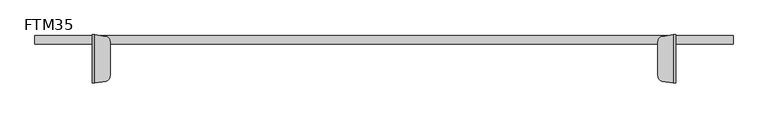
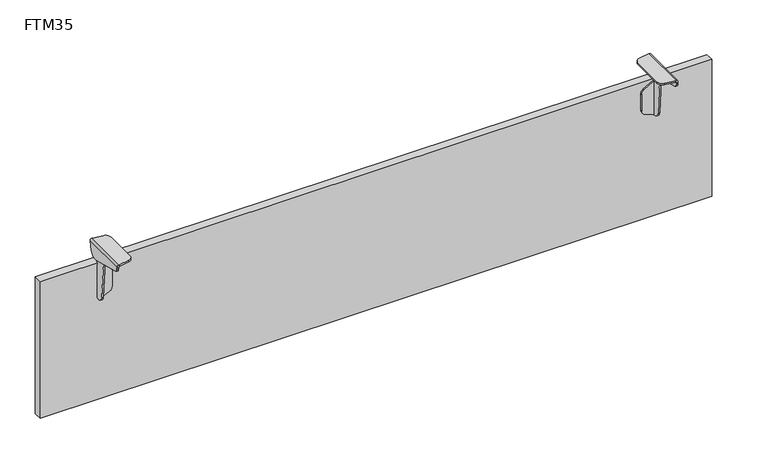
"""IFC4 building model written with IfcOpenShell, lengths in millimetres: furniture geometry, FTM35."""

from ifc_helpers import new_model, si_unit, frame, origin, origin_with_axes, place, context, project, spatial, polyline, circle_curve, ellipse_curve, outline, extrude, source, transform, mapped, element, save
from ifc_brep_helpers import plane_surface, cylinder_surface, revolved_surface, advanced_brep


def ftm35_1a3725aa(model_context):
    return source(origin(), model_context, "Body", "SolidModel", [
        advanced_brep(
        [(539.8, -72.16308, 319.1049121), (543.0, -72.16308, 315.9049121), (543.0, 17.6147548, 315.9049121), (542.9937439, 17.6539668, 316.1049121), (542.9937439, 17.83692, 316.1049121), (539.8, 17.83692, 319.1049121), (539.0, 17.83692, 319.1049121), (518.4975038, 14.723401, 319.1049121), (510.0, 4.83692, 319.1049121), (510.0, -59.16308, 319.1049121), (518.498606, -69.0423034, 319.1049121), (539.0, -72.16308, 319.1049121), (510.0, 4.83692, 316.1049121), (510.0, -59.16308, 316.1049121), (518.498606, 14.7161435, 316.1049121), (537.7952546, 17.6539668, 316.1049121), (538.0, 17.6850596, 316.1049121), (538.0, -72.0112195, 316.1049121), (518.4975038, -69.049561, 316.1049121), (540.0, 17.2618463, 314.1049121), (540.0, -72.16308, 314.1049121), (539.0, -72.16308, 315.8369629), (540.0, 14.0544932, 297.7458971), (540.0, -2.4822519, 287.8096181), (540.0, -67.2023451, 304.1426596), (540.0, -71.9879899, 310.8156242), (540.0, -72.1318917, 313.6921538), (543.0, -72.16308, 313.6905936), (543.0, -71.9879899, 310.8156242), (543.0, -67.2023451, 304.1426596), (543.0, -2.4822519, 287.8096181), (543.0, 14.0544932, 297.7458971), (539.0, 17.83692, 316.1049121)],
        [
            (0, 1, circle_curve(frame((539.8, -72.16308, 315.9049121), z_axis=(0.0, 1.0, 0.0), x_axis=(-1.0000000000000007, 0.0, 0.0)), 3.2)),
            (1, 2),
            (2, 3, ellipse_curve(frame((539.8, 17.6147548, 315.9049121), z_axis=(0.0, -0.9813171133351304, 0.19239730527116772), x_axis=(0.0, 0.1923973052711675, 0.9813171133351304)), 3.2609235, 3.2)),
            (3, 4),
            (4, 5, circle_curve(frame((539.8, 17.83692, 315.9049121), z_axis=(0.0, -1.0, 0.0), x_axis=(-1.0000000000000007, 0.0, 0.0)), 3.2)),
            (5, 0),
            (5, 6),
            (6, 7),
            (7, 8, circle_curve(frame((519.9999972, 4.8294947, 319.1049121), z_axis=(0.0, 0.0, 1.0), x_axis=(0.0, -1.0000000000000007, 0.0)), 10.0)),
            (8, 9),
            (9, 10, circle_curve(frame((519.9999972, -59.1556546, 319.1049121), z_axis=(0.0, 0.0, 1.0), x_axis=(0.0, 1.0000000000000007, 0.0)), 10.0)),
            (10, 11),
            (11, 0),
            (8, 12),
            (12, 13),
            (13, 9),
            (12, 14, circle_curve(frame((519.9999972, 4.8294947, 316.1049121), z_axis=(0.0, 0.0, -1.0), x_axis=(0.0, -1.0000000000000007, 0.0)), 10.0)),
            (14, 15),
            (15, 16),
            (16, 17),
            (17, 18),
            (18, 13, circle_curve(frame((519.9999972, -59.1556546, 316.1049121), z_axis=(0.0, 0.0, -1.0), x_axis=(0.0, 1.0000000000000007, 0.0)), 10.0)),
            (16, 19, ellipse_curve(frame((538.0, 17.2618463, 314.1049121), z_axis=(0.0, 0.9813171133351304, -0.19239730527116772), x_axis=(0.0, -0.1923973052711675, -0.9813171133351304)), 2.0380772, 2.0)),
            (19, 20),
            (20, 21, circle_curve(frame((538.0, -72.16308, 314.1049121), z_axis=(0.0, -1.0, 0.0), x_axis=(-1.0000000000000007, 0.0, 0.0)), 2.0)),
            (21, 17, ellipse_curve(frame((538.0, -72.0112195, 314.1049121), z_axis=(-0.15013912753490172, -0.9886648787041333, 0.0), x_axis=(0.9886648787041334, -0.15013912753490108, 0.0)), 2.0229302, 2.0)),
            (19, 22),
            (22, 23, circle_curve(frame((540.0, -0.104124, 302.580771), z_axis=(-1.0, 0.0, 0.0), x_axis=(0.0, 1.0000000000000007, 0.0)), 14.9613652)),
            (23, 24, circle_curve(frame((540.0, 58.171635, 664.5462216), z_axis=(-1.0, 0.0, 0.0), x_axis=(0.0, 1.0000000000000007, 0.0)), 381.5879485)),
            (24, 25, circle_curve(frame((540.0, -64.2507209, 311.3120144), z_axis=(-1.0, 0.0, 0.0), x_axis=(0.0, 1.0000000000000007, 0.0)), 7.7531757)),
            (25, 26),
            (26, 20),
            (1, 27),
            (27, 28),
            (28, 29, circle_curve(frame((543.0, -64.2507209, 311.3120144), z_axis=(1.0, 0.0, 0.0), x_axis=(0.0, 1.0000000000000007, 0.0)), 7.7531757)),
            (29, 30, circle_curve(frame((543.0, 58.171635, 664.5462216), z_axis=(1.0, 0.0, 0.0), x_axis=(0.0, 1.0000000000000007, 0.0)), 381.5879485)),
            (30, 31, circle_curve(frame((543.0, -0.104124, 302.580771), z_axis=(1.0, 0.0, 0.0), x_axis=(0.0, 1.0000000000000007, 0.0)), 14.9613652)),
            (31, 2),
            (18, 10),
            (26, 27),
            (11, 21),
            (6, 32),
            (32, 16),
            (14, 7),
            (4, 32),
            (25, 28),
            (24, 29),
            (23, 30),
            (22, 31),
            (16, 3),
        ],
        [
            cylinder_surface(frame((539.8, -77.16308, 315.9049121), z_axis=(0.0, 1.0000000000000007, 0.0), x_axis=(-1.0000000000000007, 0.0, 0.0)), 3.2),
            plane_surface(frame((539.8, 22.83692, 319.1049121), z_axis=(0.0, 0.0, 1.0), x_axis=(0.0, -1.0, 0.0))),
            plane_surface(frame((510.0, 22.83692, 319.1049121), z_axis=(-1.0, 0.0, 0.0), x_axis=(0.0, -1.0, 0.0))),
            plane_surface(frame((510.0, 22.83692, 316.1049121), z_axis=(0.0, 0.0, -1.0), x_axis=(0.0, -1.0, 0.0))),
            revolved_surface(polyline([(536.0, -72.31494047529199, 314.1049121), (536.0, 17.685059600000116, 314.1049121)]), (538.0, -77.16308, 314.1049121), (0.0, -1.0000000000000007, 0.0)),
            plane_surface(frame((540.0, 22.83692, 314.1049121), z_axis=(-1.0, 0.0, 0.0), x_axis=(0.0, -1.0, 0.0))),
            plane_surface(frame((543.0, 22.83692, 286.8077472), z_axis=(1.0, 0.0, 0.0), x_axis=(0.0, -1.0, 0.0))),
            cylinder_surface(frame((519.9999972, -59.1556546, 268.1049121), z_axis=(0.0, 0.0, -1.0), x_axis=(0.0, 1.0000000000000007, 0.0)), 10.0),
            plane_surface(frame((539.0, -72.16308, 348.1049121), z_axis=(0.0, -1.0, 0.0), x_axis=(0.0, 0.0, -1.0))),
            plane_surface(frame((518.4975038, -69.049561, 348.1049121), z_axis=(-0.15013912753490172, -0.9886648787041333, 0.0), x_axis=(0.0, 0.0, -1.0))),
            plane_surface(frame((539.0, 17.83692, 348.1049121), z_axis=(-0.15013912753491127, 0.9886648787041318, 0.0), x_axis=(0.0, 0.0, -1.0))),
            plane_surface(frame((546.6947292, 17.83692, 348.1049121), z_axis=(0.0, 1.0, 0.0), x_axis=(0.0, 0.0, -1.0))),
            cylinder_surface(frame((519.9999972, 4.8294947, 308.1049121), z_axis=(0.0, 0.0, -1.0), x_axis=(0.0, -1.0000000000000007, 0.0)), 10.0),
            plane_surface(frame((593.0, -72.1318136, 313.6905936), z_axis=(0.0, -0.9987510344134602, -0.04996369940309944), x_axis=(-1.0, 0.0, 0.0))),
            cylinder_surface(frame((493.0, -64.2507209, 311.3120144), z_axis=(-1.0000000000000007, 0.0, 0.0), x_axis=(0.0, 1.0000000000000007, 0.0)), 7.7531757),
            cylinder_surface(frame((493.0, 58.171635, 664.5462216), z_axis=(-1.0000000000000007, 0.0, 0.0), x_axis=(0.0, 1.0000000000000007, 0.0)), 381.5879485),
            cylinder_surface(frame((493.0, -0.104124, 302.580771), z_axis=(-1.0000000000000007, 0.0, 0.0), x_axis=(0.0, 1.0000000000000007, 0.0)), 14.9613652),
            plane_surface(frame((593.0, 14.0544932, 297.7458971), z_axis=(0.0, 0.9813171133351304, -0.19239730527116772), x_axis=(-1.0, 0.0, 0.0))),
            plane_surface(frame((593.0, 17.6539668, 316.1049121), z_axis=(0.0, 0.0, -1.0), x_axis=(-1.0, 0.0, 0.0))),
        ],
        [
            (0, [[1, 2, 3, 4, 5, 6]]),
            (1, [[7, 8, 9, 10, 11, 12, 13, -6]]),
            (2, [[14, 15, 16, -10]]),
            (3, [[17, 18, 19, 20, 21, 22, -15]]),
            (4, [[23, 24, 25, 26, -20]]),
            (5, [[27, 28, 29, 30, 31, 32, -24]]),
            (6, [[33, 34, 35, 36, 37, 38, -2]]),
            (7, [[-11, -16, -22, 39]]),
            (8, [[-25, -32, 40, -33, -1, -13, 41]]),
            (9, [[-12, -39, -21, -26, -41]]),
            (10, [[-8, 42, 43, -19, -18, 44]]),
            (11, [[-5, 45, -42, -7]]),
            (12, [[-17, -14, -9, -44]]),
            (13, [[-34, -40, -31, 46]]),
            (14, [[-30, 47, -35, -46]]),
            (15, [[-29, 48, -36, -47]]),
            (16, [[-28, 49, -37, -48]]),
            (17, [[-27, -23, 50, -3, -38, -49]]),
            (18, [[-43, -45, -4, -50]]),
        ],
    ),
        advanced_brep(
        [(-539.8, -72.16308, 319.1049121), (-539.8, 17.83692, 319.1049121), (-542.9937439, 17.83692, 316.1049121), (-542.9937439, 17.6539668, 316.1049121), (-543.0, 17.6147548, 315.9049121), (-543.0, -72.16308, 315.9049121), (-539.0, -72.16308, 319.1049121), (-518.4975038, -69.049561, 319.1049121), (-510.0, -59.16308, 319.1049121), (-510.0, 4.83692, 319.1049121), (-518.498606, 14.7161435, 319.1049121), (-539.0, 17.83692, 319.1049121), (-510.0, -59.16308, 316.1049121), (-510.0, 4.83692, 316.1049121), (-518.498606, -69.0423034, 316.1049121), (-538.0, -72.0112195, 316.1049121), (-538.0, 17.6850596, 316.1049121), (-537.7952546, 17.6539668, 316.1049121), (-518.4975038, 14.723401, 316.1049121), (-539.0, -72.16308, 315.8369629), (-540.0, -72.16308, 314.1049121), (-540.0, 17.2618463, 314.1049121), (-540.0, -72.16308, 313.6905936), (-540.0, -71.9879899, 310.8156242), (-540.0, -67.2023451, 304.1426596), (-540.0, -2.4822519, 287.8096181), (-540.0, 14.0544932, 297.7458971), (-543.0, 14.0544932, 297.7458971), (-543.0, -2.4822519, 287.8096181), (-543.0, -67.2023451, 304.1426596), (-543.0, -71.9879899, 310.8156242), (-543.0, -72.1318917, 313.6921538), (-539.0, 17.83692, 316.1049121)],
        [
            (0, 1),
            (1, 2, circle_curve(frame((-539.8, 17.83692, 315.9049121), z_axis=(0.0, -1.0, 0.0), x_axis=(1.0000000000000007, 0.0, 0.0)), 3.2)),
            (2, 3),
            (3, 4, ellipse_curve(frame((-539.8, 17.6147548, 315.9049121), z_axis=(0.0, -0.9813171133351304, 0.19239730527116772), x_axis=(0.0, 0.1923973052711675, 0.9813171133351304)), 3.2609235, 3.2)),
            (4, 5),
            (5, 0, circle_curve(frame((-539.8, -72.16308, 315.9049121), z_axis=(0.0, 1.0, 0.0), x_axis=(1.0000000000000007, 0.0, 0.0)), 3.2)),
            (0, 6),
            (6, 7),
            (7, 8, circle_curve(frame((-519.9999972, -59.1556546, 319.1049121), z_axis=(0.0, 0.0, 1.0), x_axis=(0.0, 1.0000000000000007, 0.0)), 10.0)),
            (8, 9),
            (9, 10, circle_curve(frame((-519.9999972, 4.8294947, 319.1049121), z_axis=(0.0, 0.0, 1.0), x_axis=(0.0, -1.0000000000000007, 0.0)), 10.0)),
            (10, 11),
            (11, 1),
            (8, 12),
            (12, 13),
            (13, 9),
            (12, 14, circle_curve(frame((-519.9999972, -59.1556546, 316.1049121), z_axis=(0.0, 0.0, -1.0), x_axis=(0.0, 1.0000000000000007, 0.0)), 10.0)),
            (14, 15),
            (15, 16),
            (16, 17),
            (17, 18),
            (18, 13, circle_curve(frame((-519.9999972, 4.8294947, 316.1049121), z_axis=(0.0, 0.0, -1.0), x_axis=(0.0, -1.0000000000000007, 0.0)), 10.0)),
            (15, 19, ellipse_curve(frame((-538.0, -72.0112195, 314.1049121), z_axis=(0.15013912753490172, -0.9886648787041333, 0.0), x_axis=(-0.9886648787041334, -0.15013912753490108, 0.0)), 2.0229302, 2.0)),
            (19, 20, circle_curve(frame((-538.0, -72.16308, 314.1049121), z_axis=(0.0, -1.0, 0.0), x_axis=(1.0000000000000007, 0.0, 0.0)), 2.0)),
            (20, 21),
            (21, 16, ellipse_curve(frame((-538.0, 17.2618463, 314.1049121), z_axis=(0.0, 0.9813171133351304, -0.19239730527116772), x_axis=(0.0, -0.1923973052711675, -0.9813171133351304)), 2.0380772, 2.0)),
            (20, 22),
            (22, 23),
            (23, 24, circle_curve(frame((-540.0, -64.2507209, 311.3120144), z_axis=(1.0, 0.0, 0.0), x_axis=(0.0, 1.0000000000000007, 0.0)), 7.7531757)),
            (24, 25, circle_curve(frame((-540.0, 58.171635, 664.5462216), z_axis=(1.0, 0.0, 0.0), x_axis=(0.0, 1.0000000000000007, 0.0)), 381.5879485)),
            (25, 26, circle_curve(frame((-540.0, -0.104124, 302.580771), z_axis=(1.0, 0.0, 0.0), x_axis=(0.0, 1.0000000000000007, 0.0)), 14.9613652)),
            (26, 21),
            (4, 27),
            (27, 28, circle_curve(frame((-543.0, -0.104124, 302.580771), z_axis=(-1.0, 0.0, 0.0), x_axis=(0.0, 1.0000000000000007, 0.0)), 14.9613652)),
            (28, 29, circle_curve(frame((-543.0, 58.171635, 664.5462216), z_axis=(-1.0, 0.0, 0.0), x_axis=(0.0, 1.0000000000000007, 0.0)), 381.5879485)),
            (29, 30, circle_curve(frame((-543.0, -64.2507209, 311.3120144), z_axis=(-1.0, 0.0, 0.0), x_axis=(0.0, 1.0000000000000007, 0.0)), 7.7531757)),
            (30, 31),
            (31, 5),
            (7, 14),
            (19, 6),
            (31, 22),
            (10, 18),
            (16, 32),
            (32, 11),
            (32, 2),
            (30, 23),
            (29, 24),
            (28, 25),
            (27, 26),
            (3, 16),
        ],
        [
            cylinder_surface(frame((-539.8, -77.16308, 315.9049121), z_axis=(0.0, 1.0000000000000007, 0.0), x_axis=(1.0000000000000007, 0.0, 0.0)), 3.2),
            plane_surface(frame((-539.8, 22.83692, 319.1049121), z_axis=(0.0, 0.0, 1.0), x_axis=(0.0, -1.0, 0.0))),
            plane_surface(frame((-510.0, 22.83692, 319.1049121), z_axis=(1.0, 0.0, 0.0), x_axis=(0.0, -1.0, 0.0))),
            plane_surface(frame((-510.0, 22.83692, 316.1049121), z_axis=(0.0, 0.0, -1.0), x_axis=(0.0, -1.0, 0.0))),
            revolved_surface(polyline([(-536.0, -72.31494047529199, 314.1049121), (-536.0, 17.685059600000116, 314.1049121)]), (-538.0, -77.16308, 314.1049121), (0.0, -1.0000000000000007, 0.0)),
            plane_surface(frame((-540.0, 22.83692, 314.1049121), z_axis=(1.0, 0.0, 0.0), x_axis=(0.0, -1.0, 0.0))),
            plane_surface(frame((-543.0, 22.83692, 286.8077472), z_axis=(-1.0, 0.0, 0.0), x_axis=(0.0, -1.0, 0.0))),
            cylinder_surface(frame((-519.9999972, -59.1556546, 268.1049121), z_axis=(0.0, 0.0, -1.0), x_axis=(0.0, 1.0000000000000007, 0.0)), 10.0),
            plane_surface(frame((-539.0, -72.16308, 348.1049121), z_axis=(0.0, -1.0, 0.0), x_axis=(0.0, 0.0, -1.0))),
            plane_surface(frame((-518.4975038, -69.049561, 348.1049121), z_axis=(0.15013912753490172, -0.9886648787041333, 0.0), x_axis=(0.0, 0.0, -1.0))),
            plane_surface(frame((-539.0, 17.83692, 348.1049121), z_axis=(0.15013912753491127, 0.9886648787041318, 0.0), x_axis=(0.0, 0.0, -1.0))),
            plane_surface(frame((-546.6947292, 17.83692, 348.1049121), z_axis=(0.0, 1.0, 0.0), x_axis=(0.0, 0.0, -1.0))),
            cylinder_surface(frame((-519.9999972, 4.8294947, 308.1049121), z_axis=(0.0, 0.0, -1.0), x_axis=(0.0, -1.0000000000000007, 0.0)), 10.0),
            plane_surface(frame((-593.0, -72.1318136, 313.6905936), z_axis=(0.0, -0.9987510344134602, -0.04996369940309944), x_axis=(1.0, 0.0, 0.0))),
            cylinder_surface(frame((-493.0, -64.2507209, 311.3120144), z_axis=(1.0000000000000007, 0.0, 0.0), x_axis=(0.0, 1.0000000000000007, 0.0)), 7.7531757),
            cylinder_surface(frame((-493.0, 58.171635, 664.5462216), z_axis=(1.0000000000000007, 0.0, 0.0), x_axis=(0.0, 1.0000000000000007, 0.0)), 381.5879485),
            cylinder_surface(frame((-493.0, -0.104124, 302.580771), z_axis=(1.0000000000000007, 0.0, 0.0), x_axis=(0.0, 1.0000000000000007, 0.0)), 14.9613652),
            plane_surface(frame((-593.0, 14.0544932, 297.7458971), z_axis=(0.0, 0.9813171133351304, -0.19239730527116772), x_axis=(1.0, 0.0, 0.0))),
            plane_surface(frame((-593.0, 17.6539668, 316.1049121), z_axis=(0.0, 0.0, -1.0), x_axis=(1.0, 0.0, 0.0))),
        ],
        [
            (0, [[1, 2, 3, 4, 5, 6]]),
            (1, [[-1, 7, 8, 9, 10, 11, 12, 13]]),
            (2, [[-10, 14, 15, 16]]),
            (3, [[-15, 17, 18, 19, 20, 21, 22]]),
            (4, [[-19, 23, 24, 25, 26]]),
            (5, [[-25, 27, 28, 29, 30, 31, 32]]),
            (6, [[-5, 33, 34, 35, 36, 37, 38]]),
            (7, [[39, -17, -14, -9]]),
            (8, [[40, -7, -6, -38, 41, -27, -24]]),
            (9, [[-40, -23, -18, -39, -8]]),
            (10, [[42, -21, -20, 43, 44, -12]]),
            (11, [[-13, -44, 45, -2]]),
            (12, [[-42, -11, -16, -22]]),
            (13, [[46, -28, -41, -37]]),
            (14, [[-46, -36, 47, -29]]),
            (15, [[-47, -35, 48, -30]]),
            (16, [[-48, -34, 49, -31]]),
            (17, [[-49, -33, -4, 50, -26, -32]]),
            (18, [[-50, -3, -45, -43]]),
        ],
    ),
        advanced_brep(
        [(-540.0, 0.0, 207.9691596), (-540.0, -5.1359201, 207.9358061), (-540.0, -16.1031866, 218.3487266), (-540.0, -24.0162134, 312.947232), (-540.0, -21.9387967, 314.9405936), (-540.0, 2.068775, 314.0105225), (-540.0, 8.2738506, 288.0991458), (-540.0, -1.3959769, 280.7935217), (-540.0, -3.0, 277.2580415), (-540.0, -3.0, 276.3853785), (-540.0, 0.0, 276.3853785), (-537.0, -5.1359201, 207.9358061), (-537.0, -3.0, 207.9358061), (-537.0, -3.0, 276.3853785), (-537.0, -3.0, 277.2580415), (-537.0, -1.3959769, 280.7935217), (-537.0, 8.2738506, 288.0991458), (-537.0, 2.068775, 314.0105225), (-537.0, -21.9387967, 314.9405936), (-537.0, -24.0162134, 312.947232), (-537.0, -16.1031866, 218.3487266), (-535.767477, 0.0, 207.9358061), (-535.767477, -3.0, 207.9358061), (-536.5107174, -3.0, 276.3853785), (-518.7298544, -3.0, 215.3352402), (-512.6982669, -3.0, 224.5141128), (-512.6982669, -3.0, 257.1042486), (-517.78218, -3.0, 265.8124109), (-536.5107174, 0.0, 276.3853785), (-517.78218, 0.0, 265.8124109), (-512.6982669, 0.0, 257.1042486), (-512.6982669, 0.0, 224.5141128), (-518.7298544, 0.0, 215.3352402)],
        [
            (0, 1),
            (1, 2, circle_curve(frame((-540.0, -3.653562, 220.4791018), z_axis=(-1.0, 0.0, 0.0), x_axis=(0.0, 0.0, 1.0)), 12.630584)),
            (2, 3, circle_curve(frame((-540.0, 528.4219489, 311.5276683), z_axis=(-1.0, 0.0, 0.0), x_axis=(0.0, 0.0, 1.0)), 552.4399863)),
            (3, 4, circle_curve(frame((-540.0, -22.0162201, 312.9420928), z_axis=(-1.0, 0.0, 0.0), x_axis=(0.0, 0.0, 1.0)), 2.0)),
            (4, 5),
            (5, 6, circle_curve(frame((-540.0, 0.9856599, 300.0524832), z_axis=(-1.0, 0.0, 0.0), x_axis=(0.0, 0.0, 1.0)), 14.0)),
            (6, 7, circle_curve(frame((-540.0, 34.5004923, 243.3328186), z_axis=(1.0, 0.0, 0.0), x_axis=(0.0, 0.0, 1.0)), 51.8831455)),
            (7, 8, circle_curve(frame((-540.0, 1.9981495, 277.1220226), z_axis=(1.0, 0.0, 0.0), x_axis=(0.0, 0.0, 1.0)), 5.0)),
            (8, 9),
            (9, 10),
            (10, 0),
            (11, 12),
            (12, 13),
            (13, 14),
            (14, 15, circle_curve(frame((-537.0, 1.9981495, 277.1220226), z_axis=(-1.0, 0.0, 0.0), x_axis=(0.0, 0.0, 1.0)), 5.0)),
            (15, 16, circle_curve(frame((-537.0, 34.5004923, 243.3328186), z_axis=(-1.0, 0.0, 0.0), x_axis=(0.0, 0.0, 1.0)), 51.8831455)),
            (16, 17, circle_curve(frame((-537.0, 0.9856599, 300.0524832), z_axis=(1.0, 0.0, 0.0), x_axis=(0.0, 0.0, 1.0)), 14.0)),
            (17, 18),
            (18, 19, circle_curve(frame((-537.0, -22.0162201, 312.9420928), z_axis=(1.0, 0.0, 0.0), x_axis=(0.0, 0.0, 1.0)), 2.0)),
            (19, 20, circle_curve(frame((-537.0, 528.4219489, 311.5276683), z_axis=(1.0, 0.0, 0.0), x_axis=(0.0, 0.0, 1.0)), 552.4399863)),
            (20, 11, circle_curve(frame((-537.0, -3.653562, 220.4791018), z_axis=(1.0, 0.0, 0.0), x_axis=(0.0, 0.0, 1.0)), 12.630584)),
            (0, 21),
            (21, 22),
            (22, 12),
            (11, 1),
            (13, 9),
            (8, 14),
            (7, 15),
            (6, 16),
            (5, 17),
            (4, 18),
            (3, 19),
            (2, 20),
            (23, 13),
            (22, 24),
            (24, 25, circle_curve(frame((-522.6982669, -3.0, 224.5141128), z_axis=(0.0, -1.0, 0.0), x_axis=(-1.0, 0.0, 0.0)), 10.0)),
            (25, 26),
            (26, 27, circle_curve(frame((-522.6982669, -3.0, 257.1042486), z_axis=(0.0, -1.0, 0.0), x_axis=(-1.0, 0.0, 0.0)), 10.0)),
            (27, 23),
            (28, 29),
            (29, 30, circle_curve(frame((-522.6982669, 0.0, 257.1042486), z_axis=(0.0, 1.0, 0.0), x_axis=(-1.0, 0.0, 0.0)), 10.0)),
            (30, 31),
            (31, 32, circle_curve(frame((-522.6982669, 0.0, 224.5141128), z_axis=(0.0, 1.0, 0.0), x_axis=(-1.0, 0.0, 0.0)), 10.0)),
            (32, 21),
            (10, 28),
            (27, 29),
            (28, 23),
            (26, 30),
            (25, 31),
            (24, 32),
        ],
        [
            plane_surface(frame((-540.0, -3.0, 207.9358061), z_axis=(-1.0, 0.0, 0.0), x_axis=(0.0, 1.0, 0.0))),
            plane_surface(frame((-537.0, -3.0, 207.9358061), z_axis=(1.0, 0.0, 0.0), x_axis=(0.0, -1.0, 0.0))),
            plane_surface(frame((-540.0, -5.1359201, 207.9358061), z_axis=(0.0, 0.0, -1.0), x_axis=(1.0, 0.0, 0.0))),
            plane_surface(frame((-540.0, -3.0, 207.9358061), z_axis=(0.0, 1.0, 0.0), x_axis=(1.0, 0.0, 0.0))),
            revolved_surface(polyline([(-537.0, 1.9981495, 282.1220226), (-540.0, 1.9981495, 282.1220226)]), (-537.0, 1.9981495, 277.1220226), (1.0, 0.0, 0.0)),
            revolved_surface(polyline([(-537.0, 34.5004923, 295.2159641), (-540.0, 34.5004923, 295.2159641)]), (-537.0, 34.5004923, 243.3328186), (1.0, 0.0, 0.0)),
            cylinder_surface(frame((-537.0, 0.9856599, 300.0524832), z_axis=(-1.0, 0.0, 0.0), x_axis=(0.0, 0.0, 1.0)), 14.0),
            plane_surface(frame((-540.0, 2.068775, 314.0105225), z_axis=(0.0, 0.03871170098746424, 0.9992504211691168), x_axis=(1.0, 0.0, 0.0))),
            cylinder_surface(frame((-537.0, -22.0162201, 312.9420928), z_axis=(-1.0, 0.0, 0.0), x_axis=(0.0, 0.0, 1.0)), 2.0),
            cylinder_surface(frame((-537.0, 528.4219489, 311.5276683), z_axis=(-1.0, 0.0, 0.0), x_axis=(0.0, 0.0, 1.0)), 552.4399863),
            cylinder_surface(frame((-537.0, -3.653562, 220.4791018), z_axis=(-1.0, 0.0, 0.0), x_axis=(0.0, 0.0, 1.0)), 12.630584),
            plane_surface(frame((-517.82832, -3.0, 265.8384586), z_axis=(0.0, -1.0, 0.0), x_axis=(0.8708162236099727, 0.0, -0.491608690624633))),
            plane_surface(frame((-517.82832, 0.0, 265.8384586), z_axis=(0.0, 1.0, 0.0), x_axis=(-0.8708162236099727, 0.0, 0.491608690624633))),
            plane_surface(frame((-536.5107174, -3.0, 276.3853785), z_axis=(0.491608690624633, 0.0, 0.8708162236099727), x_axis=(0.0, 1.0, 0.0))),
            cylinder_surface(frame((-522.6982669, 0.0, 257.1042486), z_axis=(0.0, -1.0, 0.0), x_axis=(-1.0, 0.0, 0.0)), 10.0),
            plane_surface(frame((-512.6982669, -3.0, 257.1042486), z_axis=(1.0, 0.0, 0.0), x_axis=(0.0, 1.0, 0.0))),
            cylinder_surface(frame((-522.6982669, 0.0, 224.5141128), z_axis=(0.0, -1.0, 0.0), x_axis=(-1.0, 0.0, 0.0)), 10.0),
            plane_surface(frame((-518.7298544, -3.0, 215.3352402), z_axis=(0.39684125094124456, 0.0, -0.9178872597173294), x_axis=(0.0, 1.0, 0.0))),
            plane_surface(frame((-540.0003126, -3.0, 276.3853785), z_axis=(0.0, 0.0, 1.0), x_axis=(0.0, 1.0, 0.0))),
        ],
        [
            (0, [[1, 2, 3, 4, 5, 6, 7, 8, 9, 10, 11]]),
            (1, [[12, 13, 14, 15, 16, 17, 18, 19, 20, 21]]),
            (2, [[22, 23, 24, -12, 25, -1]]),
            (3, [[-14, 26, -9, 27]]),
            (4, [[28, -15, -27, -8]]),
            (5, [[29, -16, -28, -7]]),
            (6, [[30, -17, -29, -6]]),
            (7, [[31, -18, -30, -5]]),
            (8, [[32, -19, -31, -4]]),
            (9, [[33, -20, -32, -3]]),
            (10, [[-25, -21, -33, -2]]),
            (11, [[34, -13, -24, 35, 36, 37, 38, 39]]),
            (12, [[40, 41, 42, 43, 44, -22, -11, 45]]),
            (13, [[46, -40, 47, -39]]),
            (14, [[48, -41, -46, -38]]),
            (15, [[49, -42, -48, -37]]),
            (16, [[50, -43, -49, -36]]),
            (17, [[-23, -44, -50, -35]]),
            (18, [[-10, -26, -34, -47, -45]]),
        ],
    ),
        advanced_brep(
        [(540.0, 0.0, 207.9691596), (540.0, 0.0, 276.3853785), (540.0, -3.0, 276.3853785), (540.0, -3.0, 277.2580415), (540.0, -1.3959769, 280.7935217), (540.0, 8.2738506, 288.0991458), (540.0, 2.068775, 314.0105225), (540.0, -21.9387967, 314.9405936), (540.0, -24.0162134, 312.947232), (540.0, -16.1031866, 218.3487266), (540.0, -5.1359201, 207.9358061), (537.0, -5.1359201, 207.9358061), (537.0, -16.1031866, 218.3487266), (537.0, -24.0162134, 312.947232), (537.0, -21.9387967, 314.9405936), (537.0, 2.068775, 314.0105225), (537.0, 8.2738506, 288.0991458), (537.0, -1.3959769, 280.7935217), (537.0, -3.0, 277.2580415), (537.0, -3.0, 276.3853785), (537.0, -3.0, 207.9358061), (535.767477, -3.0, 207.9358061), (535.767477, 0.0, 207.9358061), (536.5107174, -3.0, 276.3853785), (517.78218, -3.0, 265.8124109), (512.6982669, -3.0, 257.1042486), (512.6982669, -3.0, 224.5141128), (518.7298544, -3.0, 215.3352402), (536.5107174, 0.0, 276.3853785), (518.7298544, 0.0, 215.3352402), (512.6982669, 0.0, 224.5141128), (512.6982669, 0.0, 257.1042486), (517.78218, 0.0, 265.8124109)],
        [
            (0, 1),
            (1, 2),
            (2, 3),
            (3, 4, circle_curve(frame((540.0, 1.9981495, 277.1220226), z_axis=(-1.0, 0.0, 0.0), x_axis=(0.0, 0.0, 1.0)), 5.0)),
            (4, 5, circle_curve(frame((540.0, 34.5004923, 243.3328186), z_axis=(-1.0, 0.0, 0.0), x_axis=(0.0, 0.0, 1.0)), 51.8831455)),
            (5, 6, circle_curve(frame((540.0, 0.9856599, 300.0524832), z_axis=(1.0, 0.0, 0.0), x_axis=(0.0, 0.0, 1.0)), 14.0)),
            (6, 7),
            (7, 8, circle_curve(frame((540.0, -22.0162201, 312.9420928), z_axis=(1.0, 0.0, 0.0), x_axis=(0.0, 0.0, 1.0)), 2.0)),
            (8, 9, circle_curve(frame((540.0, 528.4219489, 311.5276683), z_axis=(1.0, 0.0, 0.0), x_axis=(0.0, 0.0, 1.0)), 552.4399863)),
            (9, 10, circle_curve(frame((540.0, -3.653562, 220.4791018), z_axis=(1.0, 0.0, 0.0), x_axis=(0.0, 0.0, 1.0)), 12.630584)),
            (10, 0),
            (11, 12, circle_curve(frame((537.0, -3.653562, 220.4791018), z_axis=(-1.0, 0.0, 0.0), x_axis=(0.0, 0.0, 1.0)), 12.630584)),
            (12, 13, circle_curve(frame((537.0, 528.4219489, 311.5276683), z_axis=(-1.0, 0.0, 0.0), x_axis=(0.0, 0.0, 1.0)), 552.4399863)),
            (13, 14, circle_curve(frame((537.0, -22.0162201, 312.9420928), z_axis=(-1.0, 0.0, 0.0), x_axis=(0.0, 0.0, 1.0)), 2.0)),
            (14, 15),
            (15, 16, circle_curve(frame((537.0, 0.9856599, 300.0524832), z_axis=(-1.0, 0.0, 0.0), x_axis=(0.0, 0.0, 1.0)), 14.0)),
            (16, 17, circle_curve(frame((537.0, 34.5004923, 243.3328186), z_axis=(1.0, 0.0, 0.0), x_axis=(0.0, 0.0, 1.0)), 51.8831455)),
            (17, 18, circle_curve(frame((537.0, 1.9981495, 277.1220226), z_axis=(1.0, 0.0, 0.0), x_axis=(0.0, 0.0, 1.0)), 5.0)),
            (18, 19),
            (19, 20),
            (20, 11),
            (10, 11),
            (20, 21),
            (21, 22),
            (22, 0),
            (18, 3),
            (2, 19),
            (17, 4),
            (16, 5),
            (15, 6),
            (14, 7),
            (13, 8),
            (12, 9),
            (23, 24),
            (24, 25, circle_curve(frame((522.6982669, -3.0, 257.1042486), z_axis=(0.0, -1.0, 0.0), x_axis=(1.0, 0.0, 0.0)), 10.0)),
            (25, 26),
            (26, 27, circle_curve(frame((522.6982669, -3.0, 224.5141128), z_axis=(0.0, -1.0, 0.0), x_axis=(1.0, 0.0, 0.0)), 10.0)),
            (27, 21),
            (19, 23),
            (28, 1),
            (22, 29),
            (29, 30, circle_curve(frame((522.6982669, 0.0, 224.5141128), z_axis=(0.0, 1.0, 0.0), x_axis=(1.0, 0.0, 0.0)), 10.0)),
            (30, 31),
            (31, 32, circle_curve(frame((522.6982669, 0.0, 257.1042486), z_axis=(0.0, 1.0, 0.0), x_axis=(1.0, 0.0, 0.0)), 10.0)),
            (32, 28),
            (23, 28),
            (32, 24),
            (31, 25),
            (30, 26),
            (29, 27),
        ],
        [
            plane_surface(frame((540.0, -3.0, 207.9358061), z_axis=(1.0, 0.0, 0.0), x_axis=(0.0, 1.0, 0.0))),
            plane_surface(frame((537.0, -3.0, 207.9358061), z_axis=(-1.0, 0.0, 0.0), x_axis=(0.0, -1.0, 0.0))),
            plane_surface(frame((540.0, -5.1359201, 207.9358061), z_axis=(0.0, 0.0, -1.0), x_axis=(-1.0, 0.0, 0.0))),
            plane_surface(frame((540.0, -3.0, 207.9358061), z_axis=(0.0, 1.0, 0.0), x_axis=(-1.0, 0.0, 0.0))),
            revolved_surface(polyline([(537.0, 1.9981495, 282.1220226), (540.0, 1.9981495, 282.1220226)]), (537.0, 1.9981495, 277.1220226), (-1.0, 0.0, 0.0)),
            revolved_surface(polyline([(537.0, 34.5004923, 295.2159641), (540.0, 34.5004923, 295.2159641)]), (537.0, 34.5004923, 243.3328186), (-1.0, 0.0, 0.0)),
            cylinder_surface(frame((537.0, 0.9856599, 300.0524832), z_axis=(1.0, 0.0, 0.0), x_axis=(0.0, 0.0, 1.0)), 14.0),
            plane_surface(frame((540.0, 2.068775, 314.0105225), z_axis=(0.0, 0.03871170098746424, 0.9992504211691168), x_axis=(-1.0, 0.0, 0.0))),
            cylinder_surface(frame((537.0, -22.0162201, 312.9420928), z_axis=(1.0, 0.0, 0.0), x_axis=(0.0, 0.0, 1.0)), 2.0),
            cylinder_surface(frame((537.0, 528.4219489, 311.5276683), z_axis=(1.0, 0.0, 0.0), x_axis=(0.0, 0.0, 1.0)), 552.4399863),
            cylinder_surface(frame((537.0, -3.653562, 220.4791018), z_axis=(1.0, 0.0, 0.0), x_axis=(0.0, 0.0, 1.0)), 12.630584),
            plane_surface(frame((517.82832, -3.0, 265.8384586), z_axis=(0.0, -1.0, 0.0), x_axis=(-0.8708162236099727, 0.0, -0.491608690624633))),
            plane_surface(frame((517.82832, 0.0, 265.8384586), z_axis=(0.0, 1.0, 0.0), x_axis=(0.8708162236099727, 0.0, 0.491608690624633))),
            plane_surface(frame((536.5107174, -3.0, 276.3853785), z_axis=(-0.491608690624633, 0.0, 0.8708162236099727), x_axis=(0.0, 1.0, 0.0))),
            cylinder_surface(frame((522.6982669, 0.0, 257.1042486), z_axis=(0.0, -1.0, 0.0), x_axis=(1.0, 0.0, 0.0)), 10.0),
            plane_surface(frame((512.6982669, -3.0, 257.1042486), z_axis=(-1.0, 0.0, 0.0), x_axis=(0.0, 1.0, 0.0))),
            cylinder_surface(frame((522.6982669, 0.0, 224.5141128), z_axis=(0.0, -1.0, 0.0), x_axis=(1.0, 0.0, 0.0)), 10.0),
            plane_surface(frame((518.7298544, -3.0, 215.3352402), z_axis=(-0.39684125094124456, 0.0, -0.9178872597173294), x_axis=(0.0, 1.0, 0.0))),
            plane_surface(frame((540.0003126, -3.0, 276.3853785), z_axis=(0.0, 0.0, 1.0), x_axis=(0.0, 1.0, 0.0))),
        ],
        [
            (0, [[1, 2, 3, 4, 5, 6, 7, 8, 9, 10, 11]]),
            (1, [[12, 13, 14, 15, 16, 17, 18, 19, 20, 21]]),
            (2, [[-11, 22, -21, 23, 24, 25]]),
            (3, [[26, -3, 27, -19]]),
            (4, [[-4, -26, -18, 28]]),
            (5, [[-5, -28, -17, 29]]),
            (6, [[-6, -29, -16, 30]]),
            (7, [[-7, -30, -15, 31]]),
            (8, [[-8, -31, -14, 32]]),
            (9, [[-9, -32, -13, 33]]),
            (10, [[-10, -33, -12, -22]]),
            (11, [[34, 35, 36, 37, 38, -23, -20, 39]]),
            (12, [[40, -1, -25, 41, 42, 43, 44, 45]]),
            (13, [[-34, 46, -45, 47]]),
            (14, [[-35, -47, -44, 48]]),
            (15, [[-36, -48, -43, 49]]),
            (16, [[-37, -49, -42, 50]]),
            (17, [[-38, -50, -41, -24]]),
            (18, [[-40, -46, -39, -27, -2]]),
        ],
    ),
        extrude(outline(polyline([(650.0, 0.0), (-650.0, 0.0), (-650.0, 16.0), (650.0, 16.0), (650.0, 0.0)])), origin_with_axes(), (0.0, 0.0, 1.0), 280.0),
    ])


if __name__ == "__main__":
    model = new_model("IFC4")
    model_context = context("Model", 3, world=origin())
    ifc_project = project(units=[si_unit("LENGTHUNIT", "METRE", prefix="MILLI")], contexts=[model_context])
    site = spatial("IfcSite", under=ifc_project)
    building = spatial("IfcBuilding", under=site)
    placement = place(None, origin())
    ftm35_shape = ftm35_1a3725aa(model_context)
    element("IfcFurniture", 1, ObjectType="FTM35", at=placement, inside=building, context=model_context, shape_type="MappedRepresentation", body=[
        mapped(ftm35_shape, transform((0.0, 0.0, 0.0), x_axis=(1.0, 0.0, 0.0), y_axis=(0.0, 1.0, 0.0), z_axis=(0.0, 0.0, 1.0))),
    ])
    save(model, "model.ifc")
